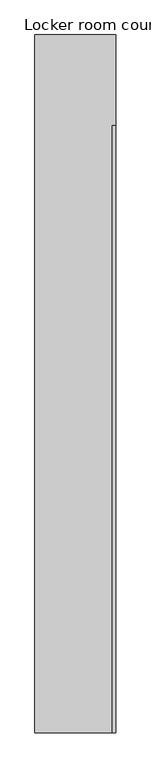
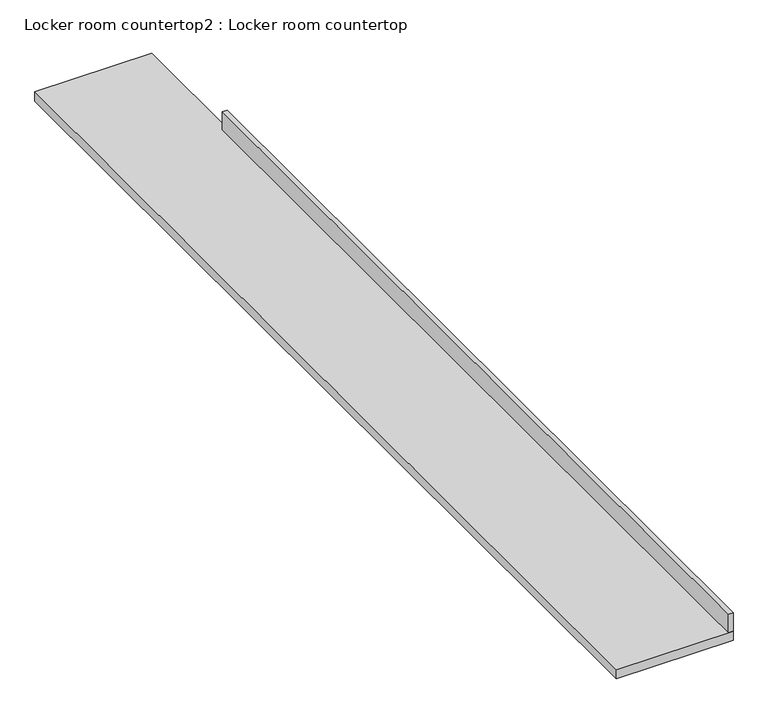
"""IFC4 building model written with IfcOpenShell, lengths in millimetres: furniture geometry, Locker room countertop2 : Locker room countertop."""

from ifc_helpers import new_model, si_unit, frame, origin, place, context, project, spatial, polyline, outline, extrude, source, transform, mapped, element, save


def locker_room_countertop2_locker_room_countertop_d56dd3c0(model_context):
    return source(origin(), model_context, "Body", "SweptSolid", [
        extrude(outline(polyline([(86263.640984, -15964.5176669), (86263.640984, -11386.1676669), (86289.040984, -11386.1676669), (86289.040984, -15964.5176669), (86263.640984, -15964.5176669)])), frame((0.0, 0.0, 914.4), z_axis=(0.0, 0.0, 1.0), x_axis=(1.0, 0.0, 0.0)), (0.0, 0.0, 1.0), 101.6),
        extrude(outline(polyline([(85679.440984, -15964.5176669), (85679.440984, -10701.9551669), (86289.040984, -10701.9551669), (86289.040984, -15964.5176669), (85679.440984, -15964.5176669)])), frame((0.0, 0.0, 863.6), z_axis=(0.0, 0.0, 1.0), x_axis=(1.0, 0.0, 0.0)), (0.0, 0.0, 1.0), 50.8),
    ])


if __name__ == "__main__":
    model = new_model("IFC4")
    model_context = context("Model", 3, world=origin())
    ifc_project = project(units=[si_unit("LENGTHUNIT", "METRE", prefix="MILLI")], contexts=[model_context])
    site = spatial("IfcSite", under=ifc_project)
    building = spatial("IfcBuilding", under=site)
    placement = place(None, origin())
    locker_room_countertop2_locker_room_countertop_shape = locker_room_countertop2_locker_room_countertop_d56dd3c0(model_context)
    element("IfcFurniture", 1, ObjectType="Locker room countertop2 : Locker room countertop", at=placement, inside=building, context=model_context, shape_type="MappedRepresentation", body=[
        mapped(locker_room_countertop2_locker_room_countertop_shape, transform((0.0, 0.0, 0.0), x_axis=(1.0, 0.0, 0.0), y_axis=(0.0, 1.0, 0.0), z_axis=(0.0, 0.0, 1.0))),
    ])
    save(model, "model.ifc")
